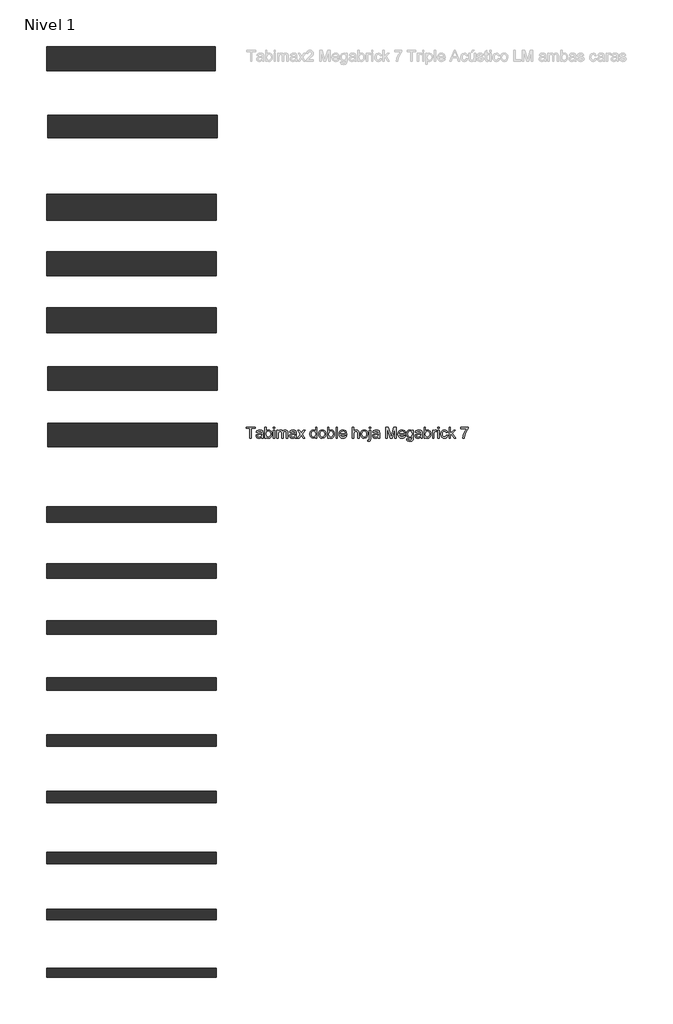
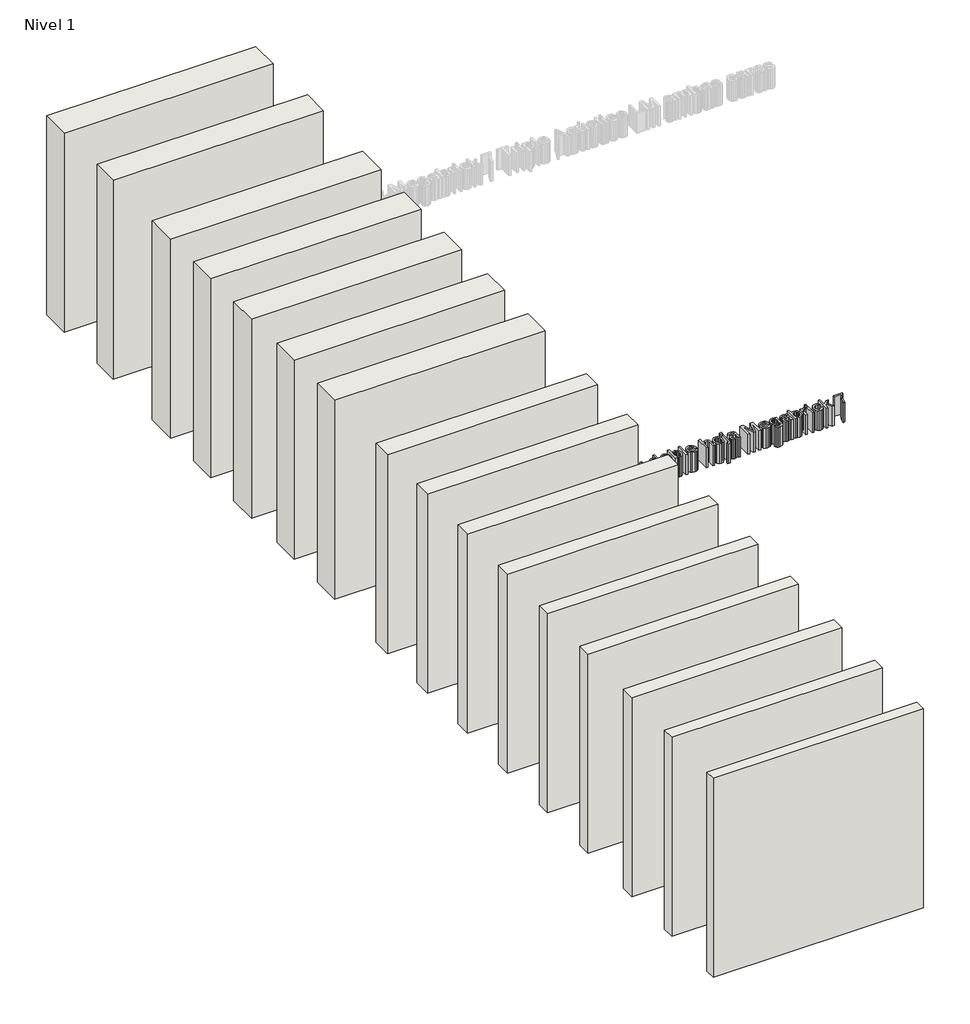
# One storey, part 1 of 2: 16 walls, 1 proxy.
"""IFC4 building model written with IfcOpenShell, lengths in millimetres."""

from ifc_helpers import new_model, si_unit, origin, origin_with_axes, place, context, project, spatial, polyline, outline, extrude, element, save

model = new_model("IFC4")

# Units and contexts
model_context = context("Model", 3, world=origin())
ifc_project = project(units=[si_unit("LENGTHUNIT", "METRE", prefix="MILLI")], contexts=[model_context])

# Site, building, storey
site = spatial("IfcSite", under=ifc_project)
building = spatial("IfcBuilding", under=site)
storey = spatial("IfcBuildingStorey", under=building, Name="Nivel 1", Elevation=0.0)

# Proxy
placement = place(None, origin())
element("IfcBuildingElementProxy", 1, Name="Texto de modelo 1", ObjectType="Texto de modelo 1", at=placement, inside=storey, context=model_context, shape_type="SweptSolid", body=[
    extrude(outline(polyline([(-13492.0915124, 5855.1263498), (-13492.0915124, 5941.2801959), (-13524.3992047, 5941.2801959), (-13524.3992047, 5953.5878882), (-13447.4761278, 5953.5878882), (-13447.4761278, 5941.2801959), (-13479.7838201, 5941.2801959), (-13479.7838201, 5855.1263498), (-13492.0915124, 5855.1263498)])), origin_with_axes(), (0.0, 0.0, 1.0), 150.0),
    extrude(outline(polyline([(-13389.0145893, 5864.357119), (-13400.9496855, 5856.0157729), (-13414.1347816, 5853.5878882), (-13424.4202383, 5855.0482248), (-13432.0073778, 5859.4292344), (-13436.6858633, 5866.0818786), (-13438.2453585, 5874.357119), (-13435.8895893, 5884.0926959), (-13429.6996855, 5891.1600036), (-13421.081897, 5895.1984652), (-13410.4328585, 5897.0494267), (-13389.0867047, 5901.2801959), (-13389.0145893, 5904.0205805), (-13392.4040124, 5913.107119), (-13406.0097816, 5916.6648113), (-13418.4617047, 5914.2970229), (-13424.3992047, 5905.8955805), (-13436.706897, 5907.4340421), (-13431.3823778, 5919.4532729), (-13420.6612239, 5926.4965421), (-13404.4232432, 5928.9725036), (-13389.5073778, 5926.7850036), (-13381.081897, 5921.2922152), (-13377.3078585, 5912.9388498), (-13376.706897, 5902.169619), (-13376.706897, 5886.857119), (-13376.081897, 5865.4749075), (-13373.6299739, 5855.1263498), (-13385.9376662, 5855.1263498), (-13389.0145893, 5864.357119)]), holes=[polyline([(-13389.0145893, 5888.9725036), (-13408.8703585, 5885.1984652), (-13419.4593008, 5883.2032729), (-13424.2549739, 5879.9580805), (-13425.9376662, 5875.2225036), (-13422.2718008, 5868.5638498), (-13411.5145893, 5865.8955805), (-13399.0626662, 5868.8402921), (-13391.0338201, 5875.9676959), (-13389.0867047, 5885.4869267), (-13389.0145893, 5888.9725036)])]), origin_with_axes(), (0.0, 0.0, 1.0), 150.0),
    extrude(outline(polyline([(-13347.4761278, 5855.1263498), (-13359.7838201, 5855.1263498), (-13359.7838201, 5953.5878882), (-13347.4761278, 5953.5878882), (-13347.4761278, 5917.0734652), (-13338.8583393, 5925.997744), (-13328.1492047, 5928.9725036), (-13315.8174739, 5926.2922152), (-13306.2501662, 5918.7561575), (-13300.3727624, 5907.0374075), (-13298.2453585, 5892.3619267), (-13300.4478826, 5875.9316382), (-13307.0554547, 5863.7080805), (-13316.7519691, 5856.1179363), (-13328.2213201, 5853.5878882), (-13339.1648297, 5856.8511094), (-13347.4761278, 5866.6407729), (-13347.4761278, 5855.1263498)]), holes=[polyline([(-13347.4761278, 5891.7850036), (-13344.1107432, 5874.5734652), (-13337.6624258, 5868.0650517), (-13329.2790124, 5865.8955805), (-13322.175647, 5867.4941382), (-13316.1059355, 5872.2898113), (-13311.941272, 5880.2525517), (-13310.5530508, 5891.3523113), (-13311.8841807, 5902.6143305), (-13315.8775701, 5910.4869267), (-13321.7579787, 5915.1203402), (-13328.7501662, 5916.6648113), (-13335.8535316, 5915.0662536), (-13341.9232432, 5910.2705805), (-13346.0879066, 5902.4520709), (-13347.4761278, 5891.7850036)])]), origin_with_axes(), (0.0, 0.0, 1.0), 150.0),
    extrude(outline(polyline([(-13284.3992047, 5855.1263498), (-13284.3992047, 5927.4340421), (-13272.0915124, 5927.4340421), (-13272.0915124, 5855.1263498), (-13284.3992047, 5855.1263498)])), origin_with_axes(), (0.0, 0.0, 1.0), 150.0),
    extrude(outline(polyline([(-13284.3992047, 5941.2801959), (-13284.3992047, 5953.5878882), (-13272.0915124, 5953.5878882), (-13272.0915124, 5941.2801959), (-13284.3992047, 5941.2801959)])), origin_with_axes(), (0.0, 0.0, 1.0), 150.0),
    extrude(outline(polyline([(-13253.6299739, 5855.1263498), (-13253.6299739, 5927.4340421), (-13241.3222816, 5927.4340421), (-13241.3222816, 5915.5350036), (-13232.8607432, 5925.2825998), (-13220.8174739, 5928.9725036), (-13208.4857432, 5925.2104844), (-13201.706897, 5914.669619), (-13192.1035316, 5925.3967825), (-13179.9761278, 5928.9725036), (-13170.7243249, 5927.4851238), (-13163.8823778, 5923.0229844), (-13159.6546133, 5915.465893), (-13158.2453585, 5904.6936575), (-13158.2453585, 5855.1263498), (-13170.5530508, 5855.1263498), (-13170.5530508, 5899.4051959), (-13171.6948778, 5909.6816382), (-13175.8294932, 5914.7417344), (-13182.8607432, 5916.6648113), (-13194.9641085, 5911.7369267), (-13199.7838201, 5895.9436575), (-13199.7838201, 5855.1263498), (-13212.0915124, 5855.1263498), (-13212.0915124, 5900.7753882), (-13214.9400701, 5912.6984652), (-13224.2790124, 5916.6648113), (-13233.3895893, 5914.0205805), (-13239.4472816, 5906.2801959), (-13241.3222816, 5891.5926959), (-13241.3222816, 5855.1263498), (-13253.6299739, 5855.1263498)])), origin_with_axes(), (0.0, 0.0, 1.0), 150.0),
    extrude(outline(polyline([(-13093.6299739, 5864.357119), (-13105.5650701, 5856.0157729), (-13118.7501662, 5853.5878882), (-13129.035623, 5855.0482248), (-13136.6227624, 5859.4292344), (-13141.301248, 5866.0818786), (-13142.8607432, 5874.357119), (-13140.5049739, 5884.0926959), (-13134.3150701, 5891.1600036), (-13125.6972816, 5895.1984652), (-13115.0482432, 5897.0494267), (-13093.7020893, 5901.2801959), (-13093.6299739, 5904.0205805), (-13097.019397, 5913.107119), (-13110.6251662, 5916.6648113), (-13123.0770893, 5914.2970229), (-13129.0145893, 5905.8955805), (-13141.3222816, 5907.4340421), (-13135.9977624, 5919.4532729), (-13125.2766085, 5926.4965421), (-13109.0386278, 5928.9725036), (-13094.1227624, 5926.7850036), (-13085.6972816, 5921.2922152), (-13081.9232432, 5912.9388498), (-13081.3222816, 5902.169619), (-13081.3222816, 5886.857119), (-13080.6972816, 5865.4749075), (-13078.2453585, 5855.1263498), (-13090.5530508, 5855.1263498), (-13093.6299739, 5864.357119)]), holes=[polyline([(-13093.6299739, 5888.9725036), (-13113.4857432, 5885.1984652), (-13124.0746855, 5883.2032729), (-13128.8703585, 5879.9580805), (-13130.5530508, 5875.2225036), (-13126.8871855, 5868.5638498), (-13116.1299739, 5865.8955805), (-13103.6780508, 5868.8402921), (-13095.6492047, 5875.9676959), (-13093.7020893, 5885.4869267), (-13093.6299739, 5888.9725036)])]), origin_with_axes(), (0.0, 0.0, 1.0), 150.0),
    extrude(outline(polyline([(-13072.0915124, 5855.1263498), (-13045.7934355, 5891.4725036), (-13070.5530508, 5927.4340421), (-13055.7453585, 5927.4340421), (-13043.7982432, 5910.1263498), (-13038.2213201, 5901.9532729), (-13033.3895893, 5908.6359652), (-13019.7838201, 5927.4340421), (-13004.9761278, 5927.4340421), (-13030.9857432, 5891.4725036), (-13005.9376662, 5855.1263498), (-13020.7453585, 5855.1263498), (-13035.8174739, 5876.9773113), (-13038.581897, 5880.9676959), (-13057.2838201, 5855.1263498), (-13072.0915124, 5855.1263498)])), origin_with_axes(), (0.0, 0.0, 1.0), 150.0),
    extrude(outline(polyline([(-12912.0915124, 5855.1263498), (-12912.0915124, 5866.7369267), (-12920.2345412, 5856.8751479), (-12931.4905508, 5853.5878882), (-12946.7309355, 5858.3475036), (-12957.5001662, 5871.6287536), (-12961.3222816, 5891.2080805), (-12957.800647, 5910.7994267), (-12947.2477624, 5924.2850036), (-12931.5386278, 5928.9725036), (-12920.1924739, 5925.6191382), (-12912.0915124, 5916.9051959), (-12912.0915124, 5953.5878882), (-12899.7838201, 5953.5878882), (-12899.7838201, 5855.1263498), (-12912.0915124, 5855.1263498)]), holes=[polyline([(-12949.0145893, 5891.2561575), (-12947.6263682, 5880.123345), (-12943.4617047, 5872.2056767), (-12937.410022, 5867.4731046), (-12930.3607432, 5865.8955805), (-12923.3144691, 5867.4009892), (-12917.4160316, 5871.9172152), (-12913.4226422, 5879.528393), (-12912.0915124, 5890.3186575), (-12913.4466807, 5902.1155325), (-12917.5121855, 5910.294619), (-12923.5608633, 5915.0722632), (-12930.8655508, 5916.6648113), (-12937.9869451, 5915.1353642), (-12943.8222816, 5910.5470229), (-12947.7165124, 5902.6654123), (-12949.0145893, 5891.2561575)])]), origin_with_axes(), (0.0, 0.0, 1.0), 150.0),
    extrude(outline(polyline([(-12884.3992047, 5891.2801959), (-12881.7369451, 5908.7140902), (-12873.7501662, 5920.9676959), (-12863.8823778, 5926.9713017), (-12852.0674739, 5928.9725036), (-12839.1377864, 5926.5356046), (-12828.8102624, 5919.2249075), (-12822.0404307, 5907.6173354), (-12819.7838201, 5892.2898113), (-12823.7742047, 5870.3907729), (-12835.3968008, 5857.9989459), (-12852.0674739, 5853.5878882), (-12865.1534114, 5856.0157729), (-12875.4689162, 5863.2994267), (-12882.1666326, 5875.1503882), (-12884.3992047, 5891.2801959)]), holes=[polyline([(-12872.0915124, 5891.3042344), (-12870.6672335, 5880.1654123), (-12866.394397, 5872.2297152), (-12859.9641085, 5867.4791142), (-12852.0674739, 5865.8955805), (-12844.206897, 5867.4881286), (-12837.7886278, 5872.2657729), (-12833.5157912, 5880.3066382), (-12832.0915124, 5891.6888498), (-12833.5248057, 5902.5031527), (-12837.8246855, 5910.3306767), (-12844.2519691, 5915.0812777), (-12852.0674739, 5916.6648113), (-12859.9641085, 5915.0872873), (-12866.394397, 5910.3547152), (-12870.6672335, 5902.4370469), (-12872.0915124, 5891.3042344)])]), origin_with_axes(), (0.0, 0.0, 1.0), 150.0),
    extrude(outline(polyline([(-12793.6299739, 5855.1263498), (-12805.9376662, 5855.1263498), (-12805.9376662, 5953.5878882), (-12793.6299739, 5953.5878882), (-12793.6299739, 5917.0734652), (-12785.0121855, 5925.997744), (-12774.3030508, 5928.9725036), (-12761.9713201, 5926.2922152), (-12752.4040124, 5918.7561575), (-12746.5266085, 5907.0374075), (-12744.3992047, 5892.3619267), (-12746.6017287, 5875.9316382), (-12753.2093008, 5863.7080805), (-12762.9058153, 5856.1179363), (-12774.3751662, 5853.5878882), (-12785.3186758, 5856.8511094), (-12793.6299739, 5866.6407729), (-12793.6299739, 5855.1263498)]), holes=[polyline([(-12793.6299739, 5891.7850036), (-12790.2645893, 5874.5734652), (-12783.816272, 5868.0650517), (-12775.4328585, 5865.8955805), (-12768.3294932, 5867.4941382), (-12762.2597816, 5872.2898113), (-12758.0951182, 5880.2525517), (-12756.706897, 5891.3523113), (-12758.0380268, 5902.6143305), (-12762.0314162, 5910.4869267), (-12767.9118249, 5915.1203402), (-12774.9040124, 5916.6648113), (-12782.0073778, 5915.0662536), (-12788.0770893, 5910.2705805), (-12792.2417528, 5902.4520709), (-12793.6299739, 5891.7850036)])]), origin_with_axes(), (0.0, 0.0, 1.0), 150.0),
    extrude(outline(polyline([(-12730.5530508, 5855.1263498), (-12730.5530508, 5953.5878882), (-12718.2453585, 5953.5878882), (-12718.2453585, 5855.1263498), (-12730.5530508, 5855.1263498)])), origin_with_axes(), (0.0, 0.0, 1.0), 150.0),
    extrude(outline(polyline([(-12649.1588201, 5876.6648113), (-12637.0915124, 5875.1263498), (-12641.4394691, 5866.0338017), (-12648.3775701, 5859.2369267), (-12657.7495653, 5855.0001479), (-12669.3992047, 5853.5878882), (-12683.8403105, 5856.0247873), (-12694.9520893, 5863.3354844), (-12702.0374258, 5875.04522), (-12704.3992047, 5890.6792344), (-12702.0133874, 5906.8390902), (-12694.8559355, 5918.9244267), (-12683.894397, 5926.4604844), (-12670.0963201, 5928.9725036), (-12656.7279307, 5926.466494), (-12646.0458393, 5918.9484652), (-12639.0416326, 5906.8871671), (-12636.706897, 5890.7513498), (-12636.7790124, 5887.4340421), (-12692.0915124, 5887.4340421), (-12689.9611037, 5878.2213017), (-12685.0121855, 5871.4484652), (-12669.1588201, 5865.8955805), (-12657.0915124, 5868.4676959), (-12649.1588201, 5876.6648113)]), holes=[polyline([(-12692.0915124, 5899.7417344), (-12649.0145893, 5899.7417344), (-12653.9424739, 5910.8955805), (-12661.1179547, 5915.2225036), (-12670.144397, 5916.6648113), (-12685.300647, 5912.0614459), (-12692.0915124, 5899.7417344)])]), origin_with_axes(), (0.0, 0.0, 1.0), 150.0),
    extrude(outline(polyline([(-12585.9376662, 5855.1263498), (-12585.9376662, 5953.5878882), (-12573.6299739, 5953.5878882), (-12573.6299739, 5917.3859652), (-12564.0326182, 5926.075869), (-12552.2117047, 5928.9725036), (-12538.3895893, 5925.8114459), (-12530.0001662, 5917.0734652), (-12527.4761278, 5900.8955805), (-12527.4761278, 5855.1263498), (-12539.7838201, 5855.1263498), (-12539.7838201, 5899.6215421), (-12543.7020893, 5912.6023113), (-12554.8078585, 5916.6648113), (-12564.8919932, 5913.9244267), (-12571.6227624, 5906.4965421), (-12573.6299739, 5893.5398113), (-12573.6299739, 5855.1263498), (-12585.9376662, 5855.1263498)])), origin_with_axes(), (0.0, 0.0, 1.0), 150.0),
    extrude(outline(polyline([(-12513.6299739, 5891.2801959), (-12510.9677143, 5908.7140902), (-12502.9809355, 5920.9676959), (-12493.113147, 5926.9713017), (-12481.2982432, 5928.9725036), (-12468.3685557, 5926.5356046), (-12458.0410316, 5919.2249075), (-12451.2711999, 5907.6173354), (-12449.0145893, 5892.2898113), (-12453.0049739, 5870.3907729), (-12464.6275701, 5857.9989459), (-12481.2982432, 5853.5878882), (-12494.3841807, 5856.0157729), (-12504.6996855, 5863.2994267), (-12511.3974018, 5875.1503882), (-12513.6299739, 5891.2801959)]), holes=[polyline([(-12501.3222816, 5891.3042344), (-12499.8980028, 5880.1654123), (-12495.6251662, 5872.2297152), (-12489.1948778, 5867.4791142), (-12481.2982432, 5865.8955805), (-12473.4376662, 5867.4881286), (-12467.019397, 5872.2657729), (-12462.7465605, 5880.3066382), (-12461.3222816, 5891.6888498), (-12462.7555749, 5902.5031527), (-12467.0554547, 5910.3306767), (-12473.4827383, 5915.0812777), (-12481.2982432, 5916.6648113), (-12489.1948778, 5915.0872873), (-12495.6251662, 5910.3547152), (-12499.8980028, 5902.4370469), (-12501.3222816, 5891.3042344)])]), origin_with_axes(), (0.0, 0.0, 1.0), 150.0),
    extrude(outline(polyline([(-12450.6732432, 5827.3859652), (-12448.0770893, 5839.0926959), (-12442.4280508, 5838.2032729), (-12436.9593008, 5840.6431767), (-12435.1684355, 5852.8426959), (-12435.1684355, 5927.4340421), (-12422.8607432, 5927.4340421), (-12422.8607432, 5851.2561575), (-12426.3463201, 5832.6984652), (-12432.2357432, 5827.5963017), (-12441.0578585, 5825.8955805), (-12450.6732432, 5827.3859652)])), origin_with_axes(), (0.0, 0.0, 1.0), 150.0),
    extrude(outline(polyline([(-12435.1684355, 5941.2801959), (-12435.1684355, 5953.5878882), (-12422.8607432, 5953.5878882), (-12422.8607432, 5941.2801959), (-12435.1684355, 5941.2801959)])), origin_with_axes(), (0.0, 0.0, 1.0), 150.0),
    extrude(outline(polyline([(-12358.2453585, 5864.357119), (-12370.1804547, 5856.0157729), (-12383.3655508, 5853.5878882), (-12393.6510076, 5855.0482248), (-12401.238147, 5859.4292344), (-12405.9166326, 5866.0818786), (-12407.4761278, 5874.357119), (-12405.1203585, 5884.0926959), (-12398.9304547, 5891.1600036), (-12390.3126662, 5895.1984652), (-12379.6636278, 5897.0494267), (-12358.3174739, 5901.2801959), (-12358.2453585, 5904.0205805), (-12361.6347816, 5913.107119), (-12375.2405508, 5916.6648113), (-12387.6924739, 5914.2970229), (-12393.6299739, 5905.8955805), (-12405.9376662, 5907.4340421), (-12400.613147, 5919.4532729), (-12389.8919932, 5926.4965421), (-12373.6540124, 5928.9725036), (-12358.738147, 5926.7850036), (-12350.3126662, 5921.2922152), (-12346.5386278, 5912.9388498), (-12345.9376662, 5902.169619), (-12345.9376662, 5886.857119), (-12345.3126662, 5865.4749075), (-12342.8607432, 5855.1263498), (-12355.1684355, 5855.1263498), (-12358.2453585, 5864.357119)]), holes=[polyline([(-12358.2453585, 5888.9725036), (-12378.1011278, 5885.1984652), (-12388.6900701, 5883.2032729), (-12393.4857432, 5879.9580805), (-12395.1684355, 5875.2225036), (-12391.5025701, 5868.5638498), (-12380.7453585, 5865.8955805), (-12368.2934355, 5868.8402921), (-12360.2645893, 5875.9676959), (-12358.3174739, 5885.4869267), (-12358.2453585, 5888.9725036)])]), origin_with_axes(), (0.0, 0.0, 1.0), 150.0),
    extrude(outline(polyline([(-12289.0145893, 5855.1263498), (-12289.0145893, 5953.5878882), (-12267.8367047, 5953.5878882), (-12247.6924739, 5884.1888498), (-12243.6299739, 5869.6936575), (-12239.2309355, 5885.3907729), (-12219.4232432, 5953.5878882), (-12198.2453585, 5953.5878882), (-12198.2453585, 5855.1263498), (-12210.5530508, 5855.1263498), (-12210.5530508, 5941.2801959), (-12235.2886278, 5855.1263498), (-12251.9713201, 5855.1263498), (-12276.706897, 5941.2801959), (-12276.706897, 5855.1263498), (-12289.0145893, 5855.1263498)])), origin_with_axes(), (0.0, 0.0, 1.0), 150.0),
    extrude(outline(polyline([(-12127.6203585, 5876.6648113), (-12115.5530508, 5875.1263498), (-12119.9010076, 5866.0338017), (-12126.8391085, 5859.2369267), (-12136.2111037, 5855.0001479), (-12147.8607432, 5853.5878882), (-12162.3018489, 5856.0247873), (-12173.4136278, 5863.3354844), (-12180.4989643, 5875.04522), (-12182.8607432, 5890.6792344), (-12180.4749258, 5906.8390902), (-12173.3174739, 5918.9244267), (-12162.3559355, 5926.4604844), (-12148.5578585, 5928.9725036), (-12135.1894691, 5926.466494), (-12124.5073778, 5918.9484652), (-12117.503171, 5906.8871671), (-12115.1684355, 5890.7513498), (-12115.2405508, 5887.4340421), (-12170.5530508, 5887.4340421), (-12168.4226422, 5878.2213017), (-12163.4737239, 5871.4484652), (-12147.6203585, 5865.8955805), (-12135.5530508, 5868.4676959), (-12127.6203585, 5876.6648113)]), holes=[polyline([(-12170.5530508, 5899.7417344), (-12127.4761278, 5899.7417344), (-12132.4040124, 5910.8955805), (-12139.5794932, 5915.2225036), (-12148.6059355, 5916.6648113), (-12163.7621855, 5912.0614459), (-12170.5530508, 5899.7417344)])]), origin_with_axes(), (0.0, 0.0, 1.0), 150.0),
    extrude(outline(polyline([(-12105.9376662, 5848.9725036), (-12093.6299739, 5847.4340421), (-12089.6395893, 5840.9436575), (-12077.6924739, 5838.2032729), (-12065.0963201, 5841.3042344), (-12059.0867047, 5850.0061575), (-12058.2453585, 5864.357119), (-12066.9112239, 5857.4340421), (-12077.4761278, 5855.1263498), (-12090.1654307, 5857.8126479), (-12099.6275701, 5865.8715421), (-12105.5139883, 5877.6864459), (-12107.4761278, 5891.6407729), (-12103.9544932, 5910.7152921), (-12093.7621855, 5924.2128882), (-12078.0770893, 5928.9725036), (-12067.097522, 5926.2801959), (-12058.2453585, 5918.2032729), (-12058.2453585, 5927.4340421), (-12045.9376662, 5927.4340421), (-12045.9376662, 5865.0061575), (-12049.3030508, 5841.0999075), (-12059.9641085, 5829.982119), (-12077.9328585, 5825.8955805), (-12089.3841807, 5827.3348834), (-12098.4016085, 5831.6527921), (-12104.1858633, 5838.8613257), (-12105.9376662, 5848.9725036)]), holes=[polyline([(-12095.1684355, 5892.482119), (-12093.8553345, 5881.1930565), (-12089.9160316, 5873.4316382), (-12083.9935557, 5868.9334411), (-12076.7309355, 5867.4340421), (-12069.5224018, 5868.9244267), (-12063.5698778, 5873.3955805), (-12059.5764883, 5881.0578402), (-12058.2453585, 5892.1215421), (-12059.6155508, 5902.7916142), (-12063.7261278, 5910.4749075), (-12069.7657912, 5915.1173354), (-12076.9232432, 5916.6648113), (-12083.9514883, 5915.1413738), (-12089.8439162, 5910.5710613), (-12093.8373057, 5903.0019507), (-12095.1684355, 5892.482119)])]), origin_with_axes(), (0.0, 0.0, 1.0), 150.0),
    extrude(outline(polyline([(-11981.3222816, 5864.357119), (-11993.2573778, 5856.0157729), (-12006.4424739, 5853.5878882), (-12016.7279307, 5855.0482248), (-12024.3150701, 5859.4292344), (-12028.9935557, 5866.0818786), (-12030.5530508, 5874.357119), (-12028.1972816, 5884.0926959), (-12022.0073778, 5891.1600036), (-12013.3895893, 5895.1984652), (-12002.7405508, 5897.0494267), (-11981.394397, 5901.2801959), (-11981.3222816, 5904.0205805), (-11984.7117047, 5913.107119), (-11998.3174739, 5916.6648113), (-12010.769397, 5914.2970229), (-12016.706897, 5905.8955805), (-12029.0145893, 5907.4340421), (-12023.6900701, 5919.4532729), (-12012.9689162, 5926.4965421), (-11996.7309355, 5928.9725036), (-11981.8150701, 5926.7850036), (-11973.3895893, 5921.2922152), (-11969.6155508, 5912.9388498), (-11969.0145893, 5902.169619), (-11969.0145893, 5886.857119), (-11968.3895893, 5865.4749075), (-11965.9376662, 5855.1263498), (-11978.2453585, 5855.1263498), (-11981.3222816, 5864.357119)]), holes=[polyline([(-11981.3222816, 5888.9725036), (-12001.1780508, 5885.1984652), (-12011.7669932, 5883.2032729), (-12016.5626662, 5879.9580805), (-12018.2453585, 5875.2225036), (-12014.5794932, 5868.5638498), (-12003.8222816, 5865.8955805), (-11991.3703585, 5868.8402921), (-11983.3415124, 5875.9676959), (-11981.394397, 5885.4869267), (-11981.3222816, 5888.9725036)])]), origin_with_axes(), (0.0, 0.0, 1.0), 150.0),
    extrude(outline(polyline([(-11939.7838201, 5855.1263498), (-11952.0915124, 5855.1263498), (-11952.0915124, 5953.5878882), (-11939.7838201, 5953.5878882), (-11939.7838201, 5917.0734652), (-11931.1660316, 5925.997744), (-11920.456897, 5928.9725036), (-11908.1251662, 5926.2922152), (-11898.5578585, 5918.7561575), (-11892.6804547, 5907.0374075), (-11890.5530508, 5892.3619267), (-11892.7555749, 5875.9316382), (-11899.363147, 5863.7080805), (-11909.0596614, 5856.1179363), (-11920.5290124, 5853.5878882), (-11931.472522, 5856.8511094), (-11939.7838201, 5866.6407729), (-11939.7838201, 5855.1263498)]), holes=[polyline([(-11939.7838201, 5891.7850036), (-11936.4184355, 5874.5734652), (-11929.9701182, 5868.0650517), (-11921.5867047, 5865.8955805), (-11914.4833393, 5867.4941382), (-11908.4136278, 5872.2898113), (-11904.2489643, 5880.2525517), (-11902.8607432, 5891.3523113), (-11904.191873, 5902.6143305), (-11908.1852624, 5910.4869267), (-11914.065671, 5915.1203402), (-11921.0578585, 5916.6648113), (-11928.1612239, 5915.0662536), (-11934.2309355, 5910.2705805), (-11938.3955989, 5902.4520709), (-11939.7838201, 5891.7850036)])]), origin_with_axes(), (0.0, 0.0, 1.0), 150.0),
    extrude(outline(polyline([(-11876.706897, 5855.1263498), (-11876.706897, 5927.4340421), (-11865.9376662, 5927.4340421), (-11865.9376662, 5916.7369267), (-11858.2934355, 5926.5926959), (-11850.6011278, 5928.9725036), (-11838.2453585, 5925.1744267), (-11842.3559355, 5914.1407729), (-11851.0097816, 5916.6648113), (-11857.9689162, 5914.2369267), (-11862.4040124, 5907.5061575), (-11864.3992047, 5893.1311575), (-11864.3992047, 5855.1263498), (-11876.706897, 5855.1263498)])), origin_with_axes(), (0.0, 0.0, 1.0), 150.0),
    extrude(outline(polyline([(-11830.5530508, 5855.1263498), (-11830.5530508, 5927.4340421), (-11818.2453585, 5927.4340421), (-11818.2453585, 5855.1263498), (-11830.5530508, 5855.1263498)])), origin_with_axes(), (0.0, 0.0, 1.0), 150.0),
    extrude(outline(polyline([(-11830.5530508, 5941.2801959), (-11830.5530508, 5953.5878882), (-11818.2453585, 5953.5878882), (-11818.2453585, 5941.2801959), (-11830.5530508, 5941.2801959)])), origin_with_axes(), (0.0, 0.0, 1.0), 150.0),
    extrude(outline(polyline([(-11753.6299739, 5881.2801959), (-11741.3222816, 5879.7417344), (-11744.753772, 5868.79522), (-11751.2020893, 5860.5229844), (-11760.0602624, 5855.3216623), (-11770.7213201, 5853.5878882), (-11783.8132672, 5856.0067584), (-11794.050647, 5863.263369), (-11800.6582191, 5875.0392104), (-11802.8607432, 5891.0157729), (-11799.0987239, 5911.4604844), (-11787.6323778, 5924.5975036), (-11770.8895893, 5928.9725036), (-11760.4899499, 5927.4700998), (-11752.175647, 5922.9628882), (-11746.2111037, 5915.6912536), (-11742.8607432, 5905.8955805), (-11755.1684355, 5904.357119), (-11760.8775701, 5913.575869), (-11770.7934355, 5916.6648113), (-11778.7471614, 5915.1443786), (-11785.0602624, 5910.5830805), (-11789.1798537, 5902.7345229), (-11790.5530508, 5891.3523113), (-11789.2099018, 5879.8168546), (-11785.1804547, 5871.9412536), (-11778.9815364, 5867.4069988), (-11771.1299739, 5865.8955805), (-11759.5314162, 5869.669619), (-11753.6299739, 5881.2801959)])), origin_with_axes(), (0.0, 0.0, 1.0), 150.0),
    extrude(outline(polyline([(-11730.5530508, 5855.1263498), (-11730.5530508, 5953.5878882), (-11718.2453585, 5953.5878882), (-11718.2453585, 5900.6792344), (-11690.6492047, 5927.4340421), (-11673.6299739, 5927.4340421), (-11701.5626662, 5900.3426959), (-11672.0915124, 5855.1263498), (-11686.4665124, 5855.1263498), (-11710.3847816, 5891.7850036), (-11718.2453585, 5884.1648113), (-11718.2453585, 5855.1263498), (-11730.5530508, 5855.1263498)])), origin_with_axes(), (0.0, 0.0, 1.0), 150.0),
    extrude(outline(polyline([(-11625.9376662, 5939.7417344), (-11625.9376662, 5952.0494267), (-11561.3222816, 5952.0494267), (-11561.3222816, 5942.0975036), (-11579.6516085, 5915.6191382), (-11593.6780508, 5881.8811575), (-11598.2453585, 5855.1263498), (-11610.5530508, 5855.1263498), (-11605.6612239, 5882.8907729), (-11592.2357432, 5914.2729844), (-11573.6299739, 5939.7417344), (-11625.9376662, 5939.7417344)])), origin_with_axes(), (0.0, 0.0, 1.0), 150.0),
])

# Walls
element("IfcWall", 2, at=placement, inside=storey, context=model_context, shape_type="SweptSolid", body=[
    extrude(outline(polyline([(-13801.3750587, 9104.6490743), (-15292.4530428, 9104.6490743), (-15292.4530428, 9320.6490743), (-13801.3750587, 9320.6490743), (-13801.3750587, 9104.6490743)])), origin_with_axes(), (0.0, 0.0, 1.0), 1500.0),
])
element("IfcWall", 3, at=placement, inside=storey, context=model_context, shape_type="SweptSolid", body=[
    extrude(outline(polyline([(-15292.4530428, 1163.259531), (-13792.4530428, 1163.259531), (-13792.4530428, 1083.259531), (-15292.4530428, 1083.259531), (-15292.4530428, 1163.259531)])), origin_with_axes(), (0.0, 0.0, 1.0), 1500.0),
])
element("IfcWall", 4, at=placement, inside=storey, context=model_context, shape_type="SweptSolid", body=[
    extrude(outline(polyline([(-13792.4530428, 2629.3102492), (-15292.4530428, 2629.3102492), (-15292.4530428, 2729.3102492), (-13792.4530428, 2729.3102492), (-13792.4530428, 2629.3102492)])), origin_with_axes(), (0.0, 0.0, 1.0), 1500.0),
])
element("IfcWall", 5, at=placement, inside=storey, context=model_context, shape_type="SweptSolid", body=[
    extrude(outline(polyline([(-13792.4530428, 2089.4855241), (-15292.4530428, 2089.4855241), (-15292.4530428, 2189.4855241), (-13792.4530428, 2189.4855241), (-13792.4530428, 2089.4855241)])), origin_with_axes(), (0.0, 0.0, 1.0), 1500.0),
])
element("IfcWall", 6, at=placement, inside=storey, context=model_context, shape_type="SweptSolid", body=[
    extrude(outline(polyline([(-15292.4530428, 3229.3102492), (-13792.4530428, 3229.3102492), (-13792.4530428, 3129.3102492), (-15292.4530428, 3129.3102492), (-15292.4530428, 3229.3102492)])), origin_with_axes(), (0.0, 0.0, 1.0), 1500.0),
])
element("IfcWall", 7, at=placement, inside=storey, context=model_context, shape_type="SweptSolid", body=[
    extrude(outline(polyline([(-15283.4296979, 6488.5426341), (-13783.4296979, 6488.5426341), (-13783.4296979, 6278.5426341), (-15283.4296979, 6278.5426341), (-15283.4296979, 6488.5426341)])), origin_with_axes(), (0.0, 0.0, 1.0), 1500.0),
])
element("IfcWall", 8, at=placement, inside=storey, context=model_context, shape_type="SweptSolid", body=[
    extrude(outline(polyline([(-15283.4296979, 8710.6490743), (-13783.4296979, 8710.6490743), (-13783.4296979, 8514.6490743), (-15283.4296979, 8514.6490743), (-15283.4296979, 8710.6490743)])), origin_with_axes(), (0.0, 0.0, 1.0), 1500.0),
])
element("IfcWall", 9, at=placement, inside=storey, context=model_context, shape_type="SweptSolid", body=[
    extrude(outline(polyline([(-15292.4530428, 1684.4855241), (-13792.4530428, 1684.4855241), (-13792.4530428, 1594.4855241), (-15292.4530428, 1594.4855241), (-15292.4530428, 1684.4855241)])), origin_with_axes(), (0.0, 0.0, 1.0), 1500.0),
])
element("IfcWall", 10, at=placement, inside=storey, context=model_context, shape_type="SweptSolid", body=[
    extrude(outline(polyline([(-15292.4530428, 3734.3102492), (-13792.4530428, 3734.3102492), (-13792.4530428, 3624.3102492), (-15292.4530428, 3624.3102492), (-15292.4530428, 3734.3102492)])), origin_with_axes(), (0.0, 0.0, 1.0), 1500.0),
])
element("IfcWall", 11, at=placement, inside=storey, context=model_context, shape_type="SweptSolid", body=[
    extrude(outline(polyline([(-15292.4530428, 4239.3102492), (-13792.4530428, 4239.3102492), (-13792.4530428, 4119.3102492), (-15292.4530428, 4119.3102492), (-15292.4530428, 4239.3102492)])), origin_with_axes(), (0.0, 0.0, 1.0), 1500.0),
])
element("IfcWall", 12, at=placement, inside=storey, context=model_context, shape_type="SweptSolid", body=[
    extrude(outline(polyline([(-15292.4530428, 4744.3102492), (-13792.4530428, 4744.3102492), (-13792.4530428, 4614.3102492), (-15292.4530428, 4614.3102492), (-15292.4530428, 4744.3102492)])), origin_with_axes(), (0.0, 0.0, 1.0), 1500.0),
])
element("IfcWall", 13, at=placement, inside=storey, context=model_context, shape_type="SweptSolid", body=[
    extrude(outline(polyline([(-15292.4530428, 5249.3102492), (-13792.4530428, 5249.3102492), (-13792.4530428, 5109.3102492), (-15292.4530428, 5109.3102492), (-15292.4530428, 5249.3102492)])), origin_with_axes(), (0.0, 0.0, 1.0), 1500.0),
])
element("IfcWall", 14, at=placement, inside=storey, context=model_context, shape_type="SweptSolid", body=[
    extrude(outline(polyline([(-13792.4530428, 6789.0771709), (-15292.4530428, 6789.0771709), (-15292.4530428, 7009.0771709), (-13792.4530428, 7009.0771709), (-13792.4530428, 6789.0771709)])), origin_with_axes(), (0.0, 0.0, 1.0), 1500.0),
])
element("IfcWall", 15, at=placement, inside=storey, context=model_context, shape_type="SweptSolid", body=[
    extrude(outline(polyline([(-13792.4530428, 7294.0771709), (-15292.4530428, 7294.0771709), (-15292.4530428, 7504.0771709), (-13792.4530428, 7504.0771709), (-13792.4530428, 7294.0771709)])), origin_with_axes(), (0.0, 0.0, 1.0), 1500.0),
])
element("IfcWall", 16, at=placement, inside=storey, context=model_context, shape_type="SweptSolid", body=[
    extrude(outline(polyline([(-13792.4530428, 7784.0771709), (-15292.4530428, 7784.0771709), (-15292.4530428, 8014.0771709), (-13792.4530428, 8014.0771709), (-13792.4530428, 7784.0771709)])), origin_with_axes(), (0.0, 0.0, 1.0), 1500.0),
])
element("IfcWall", 17, at=placement, inside=storey, context=model_context, shape_type="SweptSolid", body=[
    extrude(outline(polyline([(-13783.4296979, 5778.5426341), (-15283.4296979, 5778.5426341), (-15283.4296979, 5988.5426341), (-13783.4296979, 5988.5426341), (-13783.4296979, 5778.5426341)])), origin_with_axes(), (0.0, 0.0, 1.0), 1500.0),
])

save(model, "model.ifc")
